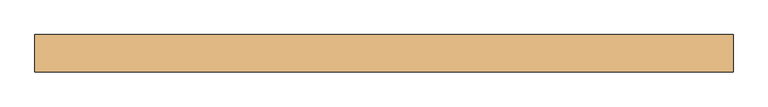
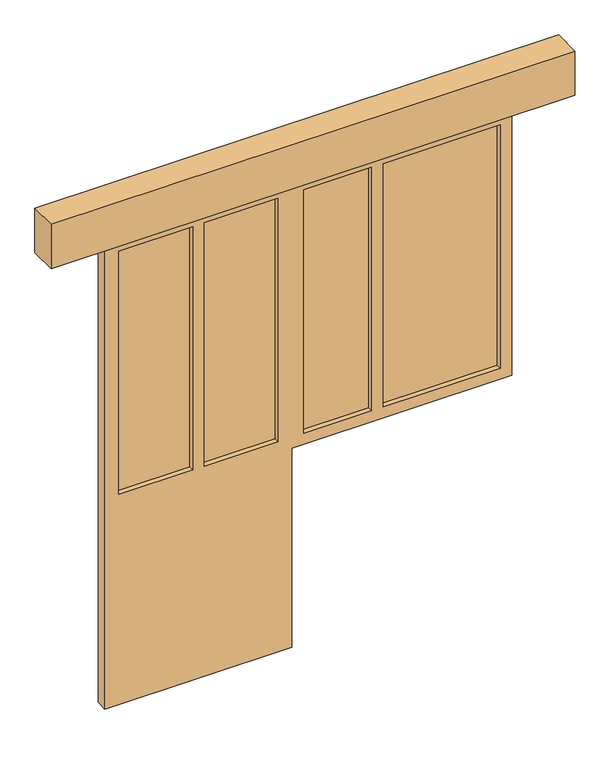
"""IFC4 building model written with IfcOpenShell, lengths in millimetres: door geometry."""

import ifcopenshell
import ifcopenshell.guid

model = None  # the IFC model being written
_history = None  # IfcOwnerHistory: only IFC2X3 demands one
_inside = {}  # id of a spatial element -> (the spatial element, [elements in it])
_under = {}  # id of a project, library or spatial element -> (it, [spatial elements below it])
_declared = {}  # id of a project -> (the project, [libraries it declares])
_typed = {}  # id of a type object -> (the type object, [elements of that type])
_made_of = {}  # id of a material, layer set ... -> (it, [elements and type objects made of it])


def new_model(schema):
    """Start an empty IFC model of exactly this schema.

    Asked for "IFC4X3", IfcOpenShell would pick the latest addendum, in which some entities
    have other attributes; the version numbers below select the first issue.
    IFC2X3 requires an IfcOwnerHistory on every rooted entity: one is made here for all.
    """
    global model, _history
    if schema == "IFC4X3":
        model = ifcopenshell.file(schema_version=(4, 3, 0, 0))
    else:
        model = ifcopenshell.file(schema=schema)
    _inside.clear()
    _under.clear()
    _declared.clear()
    _typed.clear()
    _made_of.clear()
    _history = None
    if model.schema == "IFC2X3":
        org = make("IfcOrganization", Name="unknown")
        user = make(
            "IfcPersonAndOrganization",
            ThePerson=make("IfcPerson", FamilyName="unknown"),
            TheOrganization=org,
        )
        app = make(
            "IfcApplication",
            ApplicationDeveloper=org,
            Version="unknown",
            ApplicationFullName="unknown",
            ApplicationIdentifier="unknown",
        )
        _history = make(
            "IfcOwnerHistory",
            OwningUser=user,
            OwningApplication=app,
            ChangeAction="ADDED",
            CreationDate=0,
        )
    return model


def make(cls, **values):
    """One entity of the class cls with the attributes given. An attribute that is None is left unset."""
    return model.create_entity(
        cls, **{name: value for name, value in values.items() if value is not None}
    )


def rooted(cls, **values):
    """An entity with a GlobalId (a new one), such as an element, a storey or a relation."""
    return make(cls, GlobalId=ifcopenshell.guid.new(), OwnerHistory=_history, **values)


def si_unit(unit_type, name, prefix=None):
    """IfcSIUnit, for example si_unit("LENGTHUNIT", "METRE", prefix="MILLI")."""
    return make("IfcSIUnit", UnitType=unit_type, Prefix=prefix, Name=name)


def assignment(units):
    """IfcUnitAssignment: the units of a project."""
    return None if units is None else make("IfcUnitAssignment", Units=units)


def point(xyz):
    """IfcCartesianPoint."""
    return None if xyz is None else make("IfcCartesianPoint", Coordinates=xyz)


def direction(xyz):
    """IfcDirection."""
    return None if xyz is None else make("IfcDirection", DirectionRatios=xyz)


def frame(location, z_axis=None, x_axis=None):
    """IfcAxis2Placement3D, a coordinate frame: its origin and axes. An axis left out is left unset."""
    return make(
        "IfcAxis2Placement3D",
        Location=point(location),
        Axis=direction(z_axis),
        RefDirection=direction(x_axis),
    )


def origin():
    """The frame at (0, 0, 0) with its axes left unset."""
    return frame((0.0, 0.0, 0.0))


def place(relative_to, where):
    """IfcLocalPlacement: puts the frame where relative to a parent placement (None: the world)."""
    return make(
        "IfcLocalPlacement", PlacementRelTo=relative_to, RelativePlacement=where
    )


def context(
    kind, dimensions, precision=None, world=None, true_north=None, identifier=None
):
    """IfcGeometricRepresentationContext, for example the 3D "Model" context."""
    return make(
        "IfcGeometricRepresentationContext",
        ContextIdentifier=identifier,
        ContextType=kind,
        CoordinateSpaceDimension=dimensions,
        Precision=precision,
        WorldCoordinateSystem=world,
        TrueNorth=true_north,
    )


def project(units=None, contexts=None):
    """IfcProject with its units and contexts."""
    return rooted(
        "IfcProject",
        Name="project",
        RepresentationContexts=contexts,
        UnitsInContext=assignment(units),
    )


def spatial(cls, under=None, at=None, **own):
    """A site, building, storey or space (cls), placed at a placement, below another one or the project."""
    s = rooted(cls, ObjectPlacement=at, **own)
    if under is not None:
        _under.setdefault(under.id(), (under, []))[1].append(s)
    return s


def polyline(points):
    """IfcPolyline through the points."""
    return make("IfcPolyline", Points=[point(p) for p in points])


def outline(outer, holes=None, kind="AREA"):
    """IfcArbitraryClosedProfileDef: a profile drawn as a closed curve; with holes, ...WithVoids."""
    if holes is None:
        return make("IfcArbitraryClosedProfileDef", ProfileType=kind, OuterCurve=outer)
    return make(
        "IfcArbitraryProfileDefWithVoids",
        ProfileType=kind,
        OuterCurve=outer,
        InnerCurves=holes,
    )


def extrude(swept, where, along, depth):
    """IfcExtrudedAreaSolid: the profile swept, set in the frame where, extruded along a direction by depth."""
    return make(
        "IfcExtrudedAreaSolid",
        SweptArea=swept,
        Position=where,
        ExtrudedDirection=direction(along),
        Depth=depth,
    )


def shape(context_of_items, identifier, shape_type, items):
    """IfcShapeRepresentation: the items that make up one representation, for example the "Body"."""
    return make(
        "IfcShapeRepresentation",
        ContextOfItems=context_of_items,
        RepresentationIdentifier=identifier,
        RepresentationType=shape_type,
        Items=items,
    )


def source(mapping_origin, context_of_items, identifier, shape_type, items):
    """IfcRepresentationMap: a shape defined once, which mapped items show again and again."""
    return make(
        "IfcRepresentationMap",
        MappingOrigin=mapping_origin,
        MappedRepresentation=shape(context_of_items, identifier, shape_type, items),
    )


def transform(
    local_origin,
    x_axis=None,
    y_axis=None,
    z_axis=None,
    scale=None,
    scale2=None,
    scale3=None,
    uniform=True,
):
    """IfcCartesianTransformationOperator3D, or its non-uniform kind. x_axis, y_axis, z_axis: its Axis1, 2, 3."""
    if uniform:
        return make(
            "IfcCartesianTransformationOperator3D",
            Axis1=direction(x_axis),
            Axis2=direction(y_axis),
            LocalOrigin=point(local_origin),
            Scale=scale,
            Axis3=direction(z_axis),
        )
    return make(
        "IfcCartesianTransformationOperator3DnonUniform",
        Axis1=direction(x_axis),
        Axis2=direction(y_axis),
        LocalOrigin=point(local_origin),
        Scale=scale,
        Axis3=direction(z_axis),
        Scale2=scale2,
        Scale3=scale3,
    )


def mapped(mapping_source, mapping_target):
    """IfcMappedItem: shows the shape of a source again, moved by a transform."""
    return make(
        "IfcMappedItem", MappingSource=mapping_source, MappingTarget=mapping_target
    )


def made_of(thing, what):
    """Note that an element or type object is made of a material, layer set ...; save() writes the relation."""
    if what is not None:
        _made_of.setdefault(what.id(), (what, []))[1].append(thing)
    return thing


def element(
    cls,
    number,
    at=None,
    inside=None,
    cuts=None,
    type_object=None,
    material=None,
    context=None,
    identifier="Body",
    shape_type=None,
    held_by="IfcProductDefinitionShape",
    body=None,
    shapes=None,
    **own,
):
    """One element of the class cls, such as IfcWall. Its Tag is "e" and its number.

    at: its placement. inside: the storey or other place that contains it. cuts: it is an
    opening in that element (IfcRelVoidsElement). A single representation is given by context,
    identifier, shape_type and body (its items); several are given by shapes. held_by: the class
    of the entity that holds the representations. save() writes the other relations.
    """
    e = rooted(cls, Tag="e%d" % number, ObjectPlacement=at, **own)
    if body is not None:
        shapes = [shape(context, identifier, shape_type, body)]
    if shapes is not None:
        e.Representation = make(held_by, Representations=shapes)
    if inside is not None:
        _inside.setdefault(inside.id(), (inside, []))[1].append(e)
    if cuts is not None:
        rooted(
            "IfcRelVoidsElement", RelatingBuildingElement=cuts, RelatedOpeningElement=e
        )
    if type_object is not None:
        _typed.setdefault(type_object.id(), (type_object, []))[1].append(e)
    return made_of(e, material)


def aggregate(whole, parts):
    """IfcRelAggregates: a whole, such as a stair, and the parts it consists of."""
    return rooted("IfcRelAggregates", RelatingObject=whole, RelatedObjects=parts)


def save(model, path):
    """Write the relations noted so far, then the file.

    IfcRelAggregates (storeys below a building ...), IfcRelContainedInSpatialStructure (elements
    in a storey), IfcRelDefinesByType, IfcRelAssociatesMaterial and IfcRelDeclares: one each for
    every whole, place, type object, material and project.
    """
    for whole, parts in _under.values():
        aggregate(whole, parts)
    for where, things in _inside.values():
        rooted(
            "IfcRelContainedInSpatialStructure",
            RelatedElements=things,
            RelatingStructure=where,
        )
    for kind, things in _typed.values():
        rooted("IfcRelDefinesByType", RelatedObjects=things, RelatingType=kind)
    for what, things in _made_of.values():
        rooted("IfcRelAssociatesMaterial", RelatedObjects=things, RelatingMaterial=what)
    for by, libraries in _declared.values():
        rooted("IfcRelDeclares", RelatingContext=by, RelatedDefinitions=libraries)
    model.write(path)


def door_b628cf9a(model_context):
    return source(origin(), model_context, "Body", "SweptSolid", [
        extrude(outline(polyline([(-25.0, 3.0), (-25.0, -3.0), (-340.0, -3.0), (-340.0, 3.0), (-25.0, 3.0)])), frame((0.0, 0.0, 950.0), z_axis=(0.0, 0.0, 1.0), x_axis=(1.0, 0.0, 0.0)), (0.0, 0.0, 1.0), 1100.0),
        extrude(outline(polyline([(340.0, 3.0), (340.0, -3.0), (25.0, -3.0), (25.0, 3.0), (340.0, 3.0)])), frame((0.0, 0.0, 950.0), z_axis=(0.0, 0.0, 1.0), x_axis=(1.0, 0.0, 0.0)), (0.0, 0.0, 1.0), 1100.0),
        extrude(outline(polyline([(740.0, 3.0), (740.0, -3.0), (450.0, -3.0), (450.0, 3.0), (740.0, 3.0)])), frame((0.0, 0.0, 950.0), z_axis=(0.0, 0.0, 1.0), x_axis=(1.0, 0.0, 0.0)), (0.0, 0.0, 1.0), 1100.0),
        extrude(outline(polyline([(1290.0, 3.0), (1290.0, -3.0), (790.0, -3.0), (790.0, 3.0), (1290.0, 3.0)])), frame((0.0, 0.0, 950.0), z_axis=(0.0, 0.0, 1.0), x_axis=(1.0, 0.0, 0.0)), (0.0, 0.0, 1.0), 1100.0),
        extrude(outline(polyline([(2100.0, 1340.0), (2100.0, -400.0), (0.0, -400.0), (0.0, 400.0), (900.0, 400.0), (900.0, 1340.0), (2100.0, 1340.0)]), holes=[polyline([(950.0, 450.0), (2050.0, 450.0), (2050.0, 740.0), (950.0, 740.0), (950.0, 450.0)]), polyline([(950.0, 25.0), (2050.0, 25.0), (2050.0, 340.0), (950.0, 340.0), (950.0, 25.0)]), polyline([(950.0, -340.0), (2050.0, -340.0), (2050.0, -25.0), (950.0, -25.0), (950.0, -340.0)]), polyline([(950.0, 790.0), (2050.0, 790.0), (2050.0, 1290.0), (950.0, 1290.0), (950.0, 790.0)])]), frame((0.0, -25.5139984, 0.0), z_axis=(0.0, 1.0, 0.0), x_axis=(0.0, 0.0, 1.0)), (0.0, 0.0, 1.0), 51.0279969),
        extrude(outline(polyline([(1590.0, 60.0), (1590.0, -60.0), (-650.0, -60.0), (-650.0, 60.0), (1590.0, 60.0)])), frame((0.0, 0.0, 2100.0), z_axis=(0.0, 0.0, 1.0), x_axis=(1.0, 0.0, 0.0)), (0.0, 0.0, 1.0), 200.0),
    ])


if __name__ == "__main__":
    model = new_model("IFC4")
    model_context = context("Model", 3, world=origin())
    ifc_project = project(units=[si_unit("LENGTHUNIT", "METRE", prefix="MILLI")], contexts=[model_context])
    site = spatial("IfcSite", under=ifc_project)
    building = spatial("IfcBuilding", under=site)
    placement = place(None, origin())
    door_shape = door_b628cf9a(model_context)
    element("IfcDoor", 1, at=placement, inside=building, context=model_context, shape_type="MappedRepresentation", body=[
        mapped(door_shape, transform((0.0, 0.0, 0.0), x_axis=(1.0, 0.0, 0.0), y_axis=(0.0, 1.0, 0.0), z_axis=(0.0, 0.0, 1.0))),
    ])
    save(model, "model.ifc")
